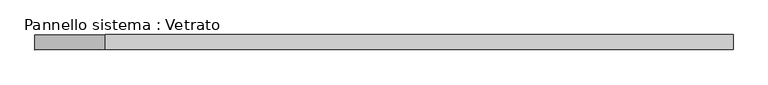
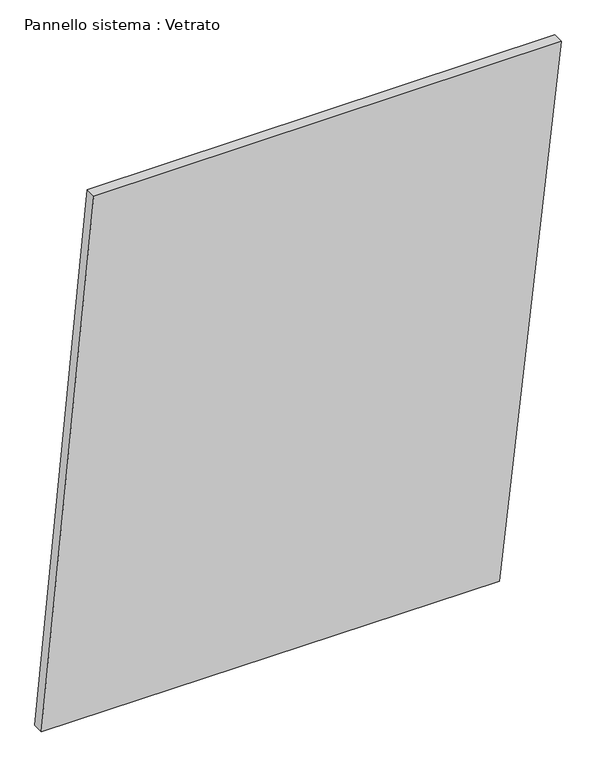
"""IFC4 building model written with IfcOpenShell, lengths in millimetres: plate geometry, Pannello sistema : Vetrato."""

from ifc_helpers import new_model, si_unit, frame, origin, place, context, project, spatial, polyline, outline, extrude, source, transform, mapped, element, save


def pannello_sistema_vetrato_b6a6012b(model_context):
    return source(origin(), model_context, "Body", "SweptSolid", [
        extrude(outline(polyline([(3.5076636, -695.3654773), (0.0, 530.3863536), (1468.3610902, 695.3654773), (1468.3610965, -554.9627501), (3.5076636, -695.3654773)])), frame((0.0, -15.0, 0.0), z_axis=(0.0, 1.0, 0.0), x_axis=(0.0, 0.0, 1.0)), (0.0, 0.0, 1.0), 30.0),
    ])


if __name__ == "__main__":
    model = new_model("IFC4")
    model_context = context("Model", 3, world=origin())
    ifc_project = project(units=[si_unit("LENGTHUNIT", "METRE", prefix="MILLI")], contexts=[model_context])
    site = spatial("IfcSite", under=ifc_project)
    building = spatial("IfcBuilding", under=site)
    placement = place(None, origin())
    pannello_sistema_vetrato_shape = pannello_sistema_vetrato_b6a6012b(model_context)
    element("IfcPlate", 1, ObjectType="Pannello sistema : Vetrato", at=placement, inside=building, context=model_context, shape_type="MappedRepresentation", body=[
        mapped(pannello_sistema_vetrato_shape, transform((0.0, 0.0, 0.0), x_axis=(1.0, 0.0, 0.0), y_axis=(0.0, 1.0, 0.0), z_axis=(0.0, 0.0, 1.0))),
    ])
    save(model, "model.ifc")
